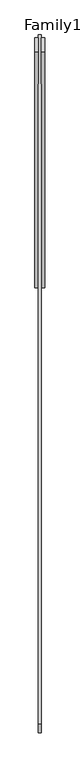
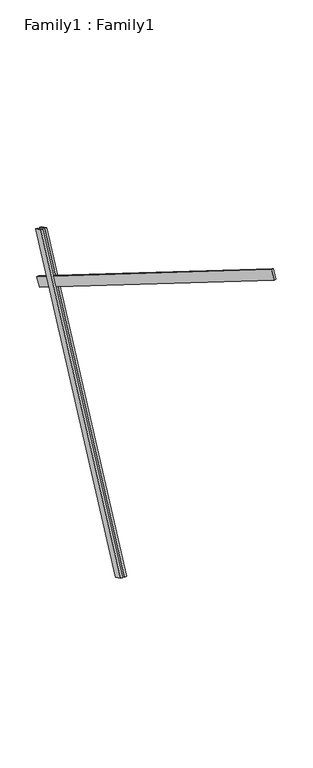
"""IFC4 building model written with IfcOpenShell, lengths in millimetres: proxy geometry, Family1 : Family1."""

from ifc_helpers import new_model, si_unit, frame, origin, place, context, project, spatial, polyline, outline, extrude, source, transform, mapped, element, save


def family1_family1_4f579390(model_context):
    return source(origin(), model_context, "Body", "SweptSolid", [
        extrude(outline(polyline([(0.0, 0.0), (0.0, -20.0), (-100.0000001, -20.0), (-100.0000001, 0.0), (0.0, 0.0)])), frame((-30.0, 46.3241747, -22.5938096), z_axis=(0.0, 0.4383711467890692, 0.8987940462991711), x_axis=(0.0, 0.8987940462991711, -0.4383711467890692)), (0.0, 0.0, 1.0), 3300.0),
        extrude(outline(polyline([(0.0, 0.0), (0.0, -20.0), (-99.9999999, -20.0), (-99.9999999, 0.0), (0.0, 0.0)])), frame((10.0, 45.270232, -22.0797674), z_axis=(0.0, 0.4383711467890692, 0.8987940462991711), x_axis=(0.0, 0.8987940462991711, -0.4383711467890692)), (0.0, 0.0, 1.0), 3300.0),
        extrude(outline(polyline([(0.0, -20.0), (0.0, 0.0), (5000.0, 0.0), (5000.0, -20.0), (0.0, -20.0)])), frame((-10.0, -2783.4092818, 4963.9207078), z_axis=(0.0, 0.5299192642332069, 0.8480480961564248), x_axis=(0.0, 0.8480480961564248, -0.5299192642332069)), (0.0, 0.0, 1.0), 100.0),
    ])


if __name__ == "__main__":
    model = new_model("IFC4")
    model_context = context("Model", 3, world=origin())
    ifc_project = project(units=[si_unit("LENGTHUNIT", "METRE", prefix="MILLI")], contexts=[model_context])
    site = spatial("IfcSite", under=ifc_project)
    building = spatial("IfcBuilding", under=site)
    placement = place(None, origin())
    family1_family1_shape = family1_family1_4f579390(model_context)
    element("IfcBuildingElementProxy", 1, Name="Family1 : Family1", ObjectType="Family1 : Family1", at=placement, inside=building, context=model_context, shape_type="MappedRepresentation", body=[
        mapped(family1_family1_shape, transform((0.0, 0.0, 0.0), x_axis=(1.0, 0.0, 0.0), y_axis=(0.0, 1.0, 0.0), z_axis=(0.0, 0.0, 1.0))),
    ])
    save(model, "model.ifc")
